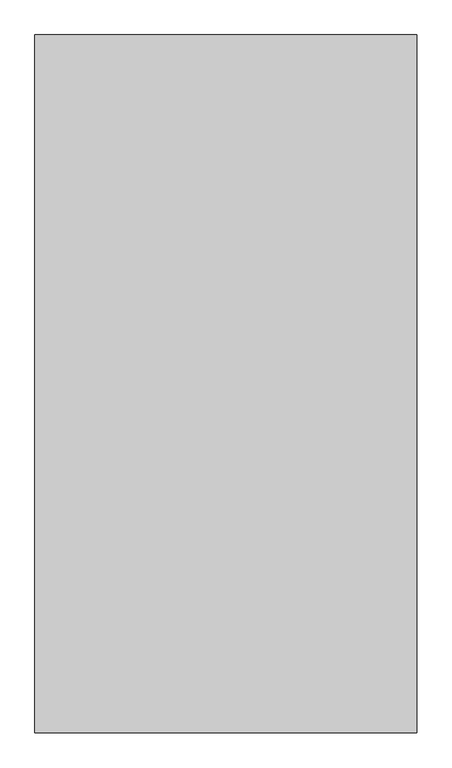
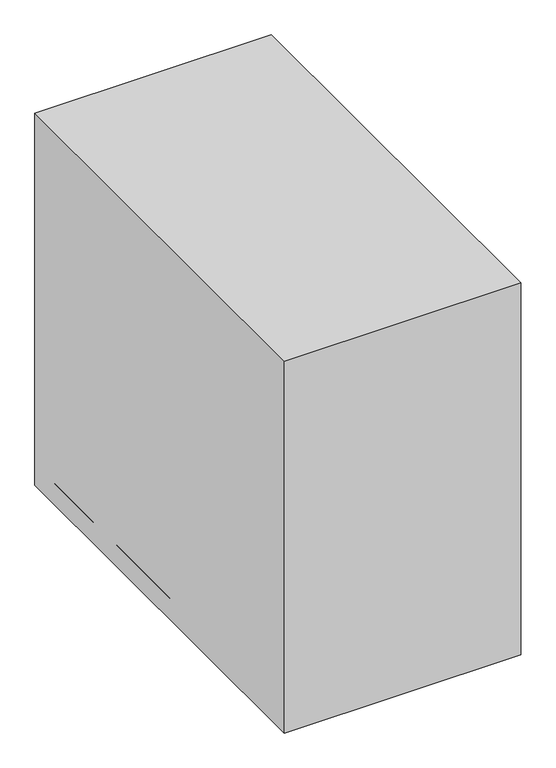
"""IFC4 building model written with IfcOpenShell, lengths in millimetres: proxy geometry."""

from ifc_helpers import new_model, si_unit, point, frame, frame_2d, origin, origin_with_axes, place, context, project, spatial, polyline, circle_curve, ellipse_curve, trimmed, segment, composite_curve, outline, extrude, source, transform, mapped, element, save
from ifc_brep_helpers import plane_surface, cylinder_surface, revolved_surface, advanced_brep


def mechanical_equipment_6900a088(model_context):
    return source(origin(), model_context, "Body", "SolidModel", [
        extrude(outline(polyline([(310.0, 321.5), (310.0, -811.5), (-310.0, -811.5), (-310.0, 321.5), (310.0, 321.5)])), origin_with_axes(), (0.0, 0.0, 1.0), 1031.584859),
        advanced_brep(
        [(300.0, 255.2819523, 751.0), (-300.0, 255.2819523, 751.0), (-300.0, -298.156996, 751.0), (-286.656996, -311.5, 751.0), (286.656996, -311.5, 751.0), (300.0, -298.156996, 751.0), (286.656996, -311.5, 35.0), (-286.656996, -311.5, 35.0), (-291.6090037, -306.5479923, 35.0), (-291.6090037, 255.2819523, 35.0), (291.6090037, 255.2819523, 35.0), (291.6090037, -306.5479923, 35.0), (300.0, 255.2819523, 45.0), (-300.0, 255.2819523, 45.0), (-300.0, -298.156996, 45.0), (300.0, -298.156996, 45.0)],
        [
            (0, 1),
            (1, 2),
            (2, 3),
            (3, 4),
            (4, 5),
            (5, 0),
            (6, 7),
            (7, 8),
            (8, 9),
            (9, 10),
            (10, 11),
            (11, 6),
            (0, 12),
            (12, 10, circle_curve(frame((281.1186803, 255.2819523, 52.3228675), z_axis=(0.0, 1.0, 0.0), x_axis=(1.0, 0.0, 0.0)), 20.2516326)),
            (9, 13, circle_curve(frame((-281.1186803, 255.2819523, 52.3228675), z_axis=(0.0, 1.0, 0.0), x_axis=(1.0, 0.0, 0.0)), 20.2516326)),
            (13, 1),
            (13, 14),
            (14, 2),
            (3, 7),
            (6, 4),
            (5, 15),
            (15, 12),
            (14, 8, ellipse_curve(frame((-281.1186803, -317.0383157, 52.3228675), z_axis=(-0.7071067811865278, -0.7071067811865672, 0.0), x_axis=(-0.7071067811865671, 0.7071067811865278, 0.0)), 28.6401335, 20.2516326)),
            (11, 15, ellipse_curve(frame((281.1186803, -317.0383157, 52.3228675), z_axis=(0.7071067811865727, -0.7071067811865225, 0.0), x_axis=(0.7071067811865225, 0.7071067811865724, 0.0)), 28.6401335, 20.2516326)),
        ],
        [
            plane_surface(frame((-300.0, 255.2819523, 751.0), z_axis=(0.0, 0.0, 1.0), x_axis=(-1.0, 0.0, 0.0))),
            plane_surface(frame((-300.0, 255.2819523, 35.0), z_axis=(0.0, 0.0, -1.0), x_axis=(1.0, 0.0, 0.0))),
            plane_surface(frame((300.0, 255.2819523, 751.0), z_axis=(0.0, 1.0, 0.0), x_axis=(0.0, 0.0, -1.0))),
            plane_surface(frame((-300.0, 255.2819523, 751.0), z_axis=(-1.0, 0.0, 0.0), x_axis=(0.0, 0.0, -1.0))),
            plane_surface(frame((-286.656996, -311.5, 751.0), z_axis=(0.0, -1.0, 0.0), x_axis=(0.0, 0.0, -1.0))),
            plane_surface(frame((300.0, -298.156996, 751.0), z_axis=(1.0, 0.0, 0.0), x_axis=(0.0, 0.0, -1.0))),
            plane_surface(frame((-300.0, -298.156996, 751.0), z_axis=(-0.7071067811865278, -0.7071067811865672, 0.0), x_axis=(0.0, 0.0, -1.0))),
            plane_surface(frame((286.656996, -311.5, 751.0), z_axis=(0.7071067811865727, -0.7071067811865225, 0.0), x_axis=(0.0, 0.0, -1.0))),
            cylinder_surface(frame((-281.1186803, 370.4582766, 52.3228675), z_axis=(0.0, 1.0, 0.0), x_axis=(1.0, 0.0, 0.0)), 20.2516326),
            cylinder_surface(frame((281.1186803, -211.5, 52.3228675), z_axis=(0.0, 1.0, 0.0), x_axis=(1.0, 0.0, 0.0)), 20.2516326),
        ],
        [
            (0, [[1, 2, 3, 4, 5, 6]]),
            (1, [[7, 8, 9, 10, 11, 12]]),
            (2, [[-1, 13, 14, -10, 15, 16]]),
            (3, [[-2, -16, 17, 18]]),
            (4, [[-4, 19, -7, 20]]),
            (5, [[-6, 21, 22, -13]]),
            (6, [[-3, -18, 23, -8, -19]]),
            (7, [[-5, -20, -12, 24, -21]]),
            (8, [[-9, -23, -17, -15]]),
            (9, [[-11, -14, -22, -24]]),
        ],
    ),
        extrude(outline(composite_curve([segment(trimmed(circle_curve(frame_2d((27.5088236, 299.0960166)), 7.94), [point((19.5688236, 299.0960166))], [point((35.4488236, 299.0960166))], False, "CARTESIAN"), True, "CONTINUOUS"), segment(trimmed(circle_curve(frame_2d((27.5088236, 299.0960166)), 7.94), [point((35.4488236, 299.0960166))], [point((19.5688236, 299.0960166))], False, "CARTESIAN"), True, "CONTINUOUS")], self_intersect=False)), frame((0.0, 0.0, 731.584859), z_axis=(0.0, 0.0, 1.0), x_axis=(1.0, 0.0, 0.0)), (0.0, 0.0, 1.0), 72.415141),
        extrude(outline(polyline([(-286.656996, -277.6891461), (-286.656996, 255.2819523), (286.656996, 255.2819523), (286.656996, -277.6891461), (-286.656996, -277.6891461)])), frame((0.0, 0.0, 20.8566956), z_axis=(0.0, 0.0, 1.0), x_axis=(1.0, 0.0, 0.0)), (0.0, 0.0, 1.0), 14.1433044),
        extrude(outline(polyline([(300.0, 311.5), (300.0, 255.2819523), (-300.0, 255.2819523), (-300.0, 311.5), (300.0, 311.5)])), frame((0.0, 0.0, 20.8566956), z_axis=(0.0, 0.0, 1.0), x_axis=(1.0, 0.0, 0.0)), (0.0, 0.0, 1.0), 710.7281635),
        extrude(outline(composite_curve([segment(trimmed(circle_curve(frame_2d((160.0513829, 300.6965326)), 4.77), [point((155.2813829, 300.6965326))], [point((164.8213829, 300.6965326))], False, "CARTESIAN"), True, "CONTINUOUS"), segment(trimmed(circle_curve(frame_2d((160.0513829, 300.6965326)), 4.77), [point((164.8213829, 300.6965326))], [point((155.2813829, 300.6965326))], False, "CARTESIAN"), True, "CONTINUOUS")], self_intersect=False)), frame((0.0, 0.0, 731.584859), z_axis=(0.0, 0.0, 1.0), x_axis=(1.0, 0.0, 0.0)), (0.0, 0.0, 1.0), 61.415141),
        advanced_brep(
        [(-186.3603897, 211.5, 35.0), (-230.0, 211.5, 35.0), (-265.0, 211.5, 0.0), (-151.3603897, 211.5, 0.0), (-208.1801948, 211.5, 0.0), (-208.1801948, 211.5, 35.0)],
        [
            (0, 1, circle_curve(frame((-208.1801948, 211.5, 35.0), z_axis=(0.0, 0.0, -1.0), x_axis=(-1.0, 0.0, 0.0)), 21.8198052)),
            (1, 2),
            (2, 3, circle_curve(frame((-208.1801948, 211.5, 0.0), z_axis=(0.0, 0.0, 1.0), x_axis=(-1.0, 0.0, 0.0)), 56.8198052)),
            (3, 0),
            (1, 0, circle_curve(frame((-208.1801948, 211.5, 35.0), z_axis=(0.0, 0.0, -1.0), x_axis=(-1.0, 0.0, 0.0)), 21.8198052)),
            (3, 2, circle_curve(frame((-208.1801948, 211.5, 0.0), z_axis=(0.0, 0.0, 1.0), x_axis=(-1.0, 0.0, 0.0)), 56.8198052)),
            (2, 4),
            (4, 3),
            (5, 1),
            (0, 5),
        ],
        [
            revolved_surface(polyline([(-265.0, 211.5, 0.0), (-230.0, 211.5, 35.0)]), (-208.1801948, 211.5, 85.0), (0.0, 0.0, 1.0)),
            plane_surface(frame((-208.1801948, 211.5, 0.0), z_axis=(0.0, 0.0, -1.0), x_axis=(-1.0, 0.0, 0.0))),
            plane_surface(frame((-208.1801948, 211.5, 35.0), z_axis=(0.0, 0.0, 1.0), x_axis=(-1.0, 0.0, 0.0))),
        ],
        [
            (0, [[1, 2, 3, 4]]),
            (0, [[5, -4, 6, -2]]),
            (1, [[-3, 7, 8]]),
            (1, [[-6, -8, -7]]),
            (2, [[9, -1, 10]]),
            (2, [[-10, -5, -9]]),
        ],
    ),
        advanced_brep(
        [(151.3603897, 211.5, 0.0), (265.0, 211.5, 0.0), (230.0, 211.5, 35.0), (186.3603897, 211.5, 35.0), (208.1801948, 211.5, 0.0), (208.1801948, 211.5, 35.0)],
        [
            (0, 1, circle_curve(frame((208.1801948, 211.5, 0.0), z_axis=(0.0, 0.0, 1.0), x_axis=(1.0, 0.0, 0.0)), 56.8198052)),
            (1, 2),
            (2, 3, circle_curve(frame((208.1801948, 211.5, 35.0), z_axis=(0.0, 0.0, -1.0), x_axis=(1.0, 0.0, 0.0)), 21.8198052)),
            (3, 0),
            (1, 0, circle_curve(frame((208.1801948, 211.5, 0.0), z_axis=(0.0, 0.0, 1.0), x_axis=(1.0, 0.0, 0.0)), 56.8198052)),
            (3, 2, circle_curve(frame((208.1801948, 211.5, 35.0), z_axis=(0.0, 0.0, -1.0), x_axis=(1.0, 0.0, 0.0)), 21.8198052)),
            (4, 1),
            (0, 4),
            (2, 5),
            (5, 3),
        ],
        [
            revolved_surface(polyline([(230.0, 211.5, 35.0), (265.0, 211.5, 0.0)]), (208.1801948, 211.5, 85.0), (0.0, 0.0, -1.0)),
            plane_surface(frame((208.1801948, 211.5, 0.0), z_axis=(0.0, 0.0, -1.0), x_axis=(1.0, 0.0, 0.0))),
            plane_surface(frame((208.1801948, 211.5, 35.0), z_axis=(0.0, 0.0, 1.0), x_axis=(1.0, 0.0, 0.0))),
        ],
        [
            (0, [[1, 2, 3, 4]]),
            (0, [[5, -4, 6, -2]]),
            (1, [[7, -1, 8]]),
            (1, [[-8, -5, -7]]),
            (2, [[-3, 9, 10]]),
            (2, [[-6, -10, -9]]),
        ],
    ),
        advanced_brep(
        [(186.3603897, -211.5, 35.0), (230.0, -211.5, 35.0), (265.0, -211.5, 0.0), (151.3603897, -211.5, 0.0), (208.1801948, -211.5, 0.0), (208.1801948, -211.5, 35.0)],
        [
            (0, 1, circle_curve(frame((208.1801948, -211.5, 35.0), z_axis=(0.0, 0.0, -1.0), x_axis=(1.0, 0.0, 0.0)), 21.8198052)),
            (1, 2),
            (2, 3, circle_curve(frame((208.1801948, -211.5, 0.0), z_axis=(0.0, 0.0, 1.0), x_axis=(1.0, 0.0, 0.0)), 56.8198052)),
            (3, 0),
            (1, 0, circle_curve(frame((208.1801948, -211.5, 35.0), z_axis=(0.0, 0.0, -1.0), x_axis=(1.0, 0.0, 0.0)), 21.8198052)),
            (3, 2, circle_curve(frame((208.1801948, -211.5, 0.0), z_axis=(0.0, 0.0, 1.0), x_axis=(1.0, 0.0, 0.0)), 56.8198052)),
            (2, 4),
            (4, 3),
            (5, 1),
            (0, 5),
        ],
        [
            revolved_surface(polyline([(265.0, -211.5, 0.0), (230.0, -211.5, 35.0)]), (208.1801948, -211.5, 85.0), (0.0, 0.0, 1.0)),
            plane_surface(frame((208.1801948, -211.5, 0.0), z_axis=(0.0, 0.0, -1.0), x_axis=(1.0, 0.0, 0.0))),
            plane_surface(frame((208.1801948, -211.5, 35.0), z_axis=(0.0, 0.0, 1.0), x_axis=(1.0, 0.0, 0.0))),
        ],
        [
            (0, [[1, 2, 3, 4]]),
            (0, [[5, -4, 6, -2]]),
            (1, [[-3, 7, 8]]),
            (1, [[-6, -8, -7]]),
            (2, [[9, -1, 10]]),
            (2, [[-10, -5, -9]]),
        ],
    ),
        advanced_brep(
        [(-151.3603897, -211.5, 0.0), (-265.0, -211.5, 0.0), (-230.0, -211.5, 35.0), (-186.3603897, -211.5, 35.0), (-208.1801948, -211.5, 0.0), (-208.1801948, -211.5, 35.0)],
        [
            (0, 1, circle_curve(frame((-208.1801948, -211.5, 0.0), z_axis=(0.0, 0.0, 1.0), x_axis=(-1.0, 0.0, 0.0)), 56.8198052)),
            (1, 2),
            (2, 3, circle_curve(frame((-208.1801948, -211.5, 35.0), z_axis=(0.0, 0.0, -1.0), x_axis=(-1.0, 0.0, 0.0)), 21.8198052)),
            (3, 0),
            (1, 0, circle_curve(frame((-208.1801948, -211.5, 0.0), z_axis=(0.0, 0.0, 1.0), x_axis=(-1.0, 0.0, 0.0)), 56.8198052)),
            (3, 2, circle_curve(frame((-208.1801948, -211.5, 35.0), z_axis=(0.0, 0.0, -1.0), x_axis=(-1.0, 0.0, 0.0)), 21.8198052)),
            (4, 1),
            (0, 4),
            (2, 5),
            (5, 3),
        ],
        [
            revolved_surface(polyline([(-230.0, -211.5, 35.0), (-265.0, -211.5, 0.0)]), (-208.1801948, -211.5, 85.0), (0.0, 0.0, -1.0)),
            plane_surface(frame((-208.1801948, -211.5, 0.0), z_axis=(0.0, 0.0, -1.0), x_axis=(-1.0, 0.0, 0.0))),
            plane_surface(frame((-208.1801948, -211.5, 35.0), z_axis=(0.0, 0.0, 1.0), x_axis=(-1.0, 0.0, 0.0))),
        ],
        [
            (0, [[1, 2, 3, 4]]),
            (0, [[5, -4, 6, -2]]),
            (1, [[7, -1, 8]]),
            (1, [[-8, -5, -7]]),
            (2, [[-3, 9, 10]]),
            (2, [[-6, -10, -9]]),
        ],
    ),
        extrude(outline(composite_curve([segment(trimmed(circle_curve(frame_2d((-51.0, 292.7939946)), 16.0), [point((-67.0, 292.7939946))], [point((-35.0, 292.7939946))], False, "CARTESIAN"), True, "CONTINUOUS"), segment(trimmed(circle_curve(frame_2d((-51.0, 292.7939946)), 16.0), [point((-35.0, 292.7939946))], [point((-67.0, 292.7939946))], False, "CARTESIAN"), True, "CONTINUOUS")], self_intersect=False)), frame((0.0, 0.0, 731.584859), z_axis=(0.0, 0.0, 1.0), x_axis=(1.0, 0.0, 0.0)), (0.0, 0.0, 1.0), 70.415141),
        extrude(outline(composite_curve([segment(trimmed(circle_curve(frame_2d((-136.0, 292.7939946)), 16.0), [point((-152.0, 292.7939946))], [point((-120.0, 292.7939946))], False, "CARTESIAN"), True, "CONTINUOUS"), segment(trimmed(circle_curve(frame_2d((-136.0, 292.7939946)), 16.0), [point((-120.0, 292.7939946))], [point((-152.0, 292.7939946))], False, "CARTESIAN"), True, "CONTINUOUS")], self_intersect=False)), frame((0.0, 0.0, 731.584859), z_axis=(0.0, 0.0, 1.0), x_axis=(1.0, 0.0, 0.0)), (0.0, 0.0, 1.0), 70.415141),
    ])


if __name__ == "__main__":
    model = new_model("IFC4")
    model_context = context("Model", 3, world=origin())
    ifc_project = project(units=[si_unit("LENGTHUNIT", "METRE", prefix="MILLI")], contexts=[model_context])
    site = spatial("IfcSite", under=ifc_project)
    building = spatial("IfcBuilding", under=site)
    placement = place(None, origin())
    mechanical_equipment_shape = mechanical_equipment_6900a088(model_context)
    element("IfcBuildingElementProxy", 1, Name="Mechanical Equipment", at=placement, inside=building, context=model_context, shape_type="MappedRepresentation", body=[
        mapped(mechanical_equipment_shape, transform((0.0, 0.0, 0.0), x_axis=(1.0, 0.0, 0.0), y_axis=(0.0, 1.0, 0.0), z_axis=(0.0, 0.0, 1.0))),
    ])
    save(model, "model.ifc")
